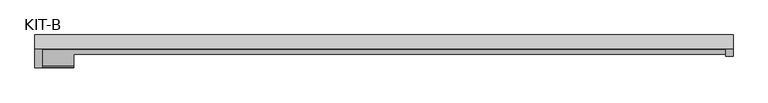
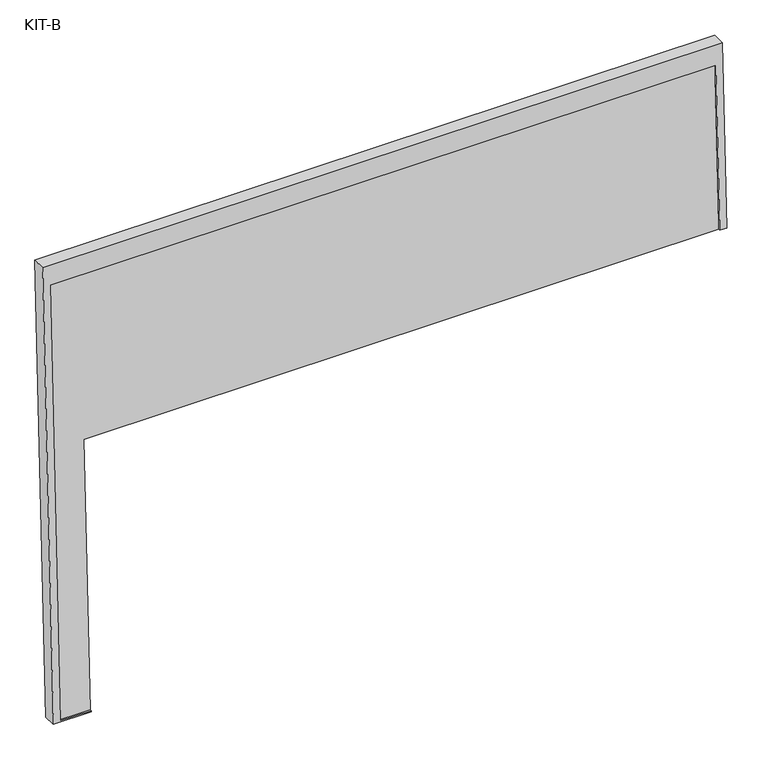
"""IFC4 building model written with IfcOpenShell, lengths in millimetres: plate geometry, KIT-B."""

from ifc_helpers import new_model, si_unit, frame, origin, place, context, project, spatial, polyline, outline, extrude, source, transform, mapped, element, save


def kit_b_f988ad2e(model_context):
    return source(origin(), model_context, "Body", "SweptSolid", [
        extrude(outline(polyline([(0.0, 0.0), (0.0, -1754.0), (-450.0000001, -1754.0), (-450.0000001, -81.5), (-1186.531593, -81.5), (-1186.531593, 0.0), (0.0, 0.0)])), frame((-877.0, 5.6533873, 1135.0792992), z_axis=(0.0, -0.9992101801000246, 0.039736834102334216), x_axis=(0.0, 0.039736834102334216, 0.9992101801000246)), (0.0, 0.0, 1.0), 27.4505712),
        extrude(outline(polyline([(0.0, 0.0), (0.0, -1791.0), (-505.0, -1791.0), (-505.0, -1772.5), (-55.0, -1772.5), (-55.0, -18.5), (-1241.531593, -18.5), (-1241.531593, -100.0), (-1245.0000001, -100.0), (-1245.0000001, 0.0), (0.0, 0.0)])), frame((-895.5, 10.3863283, 1189.9345529), z_axis=(0.0, -0.9992101801000247, 0.03973683410233422), x_axis=(0.0, 0.03973683410233422, 0.9992101801000247)), (0.0, 0.0, 1.0), 35.0),
    ])


if __name__ == "__main__":
    model = new_model("IFC4")
    model_context = context("Model", 3, world=origin())
    ifc_project = project(units=[si_unit("LENGTHUNIT", "METRE", prefix="MILLI")], contexts=[model_context])
    site = spatial("IfcSite", under=ifc_project)
    building = spatial("IfcBuilding", under=site)
    placement = place(None, origin())
    kit_b_shape = kit_b_f988ad2e(model_context)
    element("IfcPlate", 1, ObjectType="KIT-B", at=placement, inside=building, context=model_context, shape_type="MappedRepresentation", body=[
        mapped(kit_b_shape, transform((0.0, 0.0, 0.0), x_axis=(1.0, 0.0, 0.0), y_axis=(0.0, 1.0, 0.0), z_axis=(0.0, 0.0, 1.0))),
    ])
    save(model, "model.ifc")
